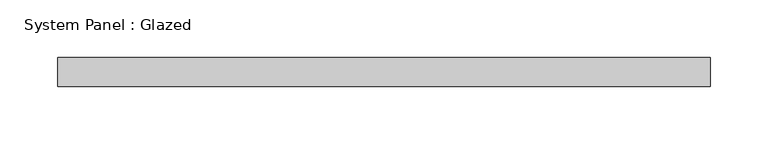
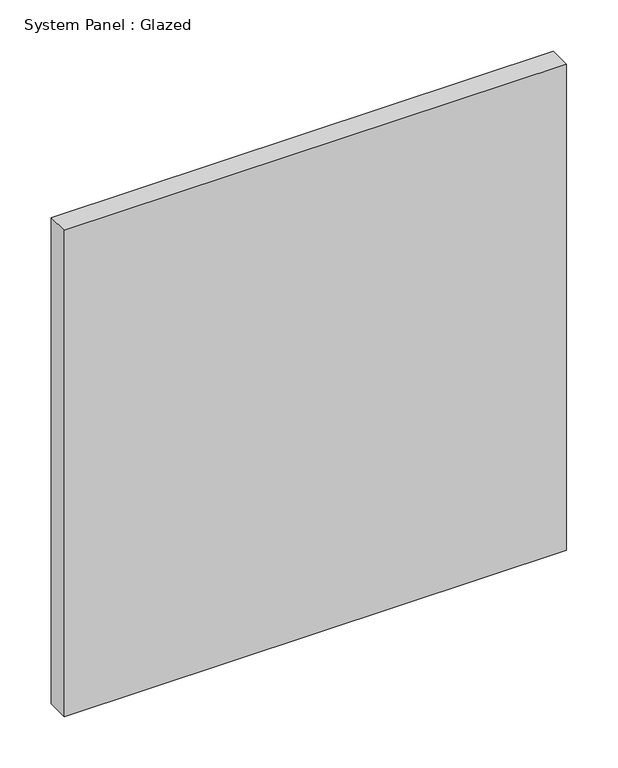
"""IFC4 building model written with IfcOpenShell, lengths in millimetres: plate geometry, System Panel : Glazed."""

from ifc_helpers import new_model, si_unit, origin, origin_with_axes, place, context, project, spatial, polyline, outline, extrude, source, transform, mapped, element, save


def system_panel_glazed_a680819a(model_context):
    return source(origin(), model_context, "Body", "SweptSolid", [
        extrude(outline(polyline([(282.75, 24.5), (-282.75, 24.5), (-282.75, 49.5), (282.75, 49.5), (282.75, 24.5)])), origin_with_axes(), (0.0, 0.0, 1.0), 578.3333333),
    ])


if __name__ == "__main__":
    model = new_model("IFC4")
    model_context = context("Model", 3, world=origin())
    ifc_project = project(units=[si_unit("LENGTHUNIT", "METRE", prefix="MILLI")], contexts=[model_context])
    site = spatial("IfcSite", under=ifc_project)
    building = spatial("IfcBuilding", under=site)
    placement = place(None, origin())
    system_panel_glazed_shape = system_panel_glazed_a680819a(model_context)
    element("IfcPlate", 1, ObjectType="System Panel : Glazed", at=placement, inside=building, context=model_context, shape_type="MappedRepresentation", body=[
        mapped(system_panel_glazed_shape, transform((0.0, 0.0, 0.0), x_axis=(1.0, 0.0, 0.0), y_axis=(0.0, 1.0, 0.0), z_axis=(0.0, 0.0, 1.0))),
    ])
    save(model, "model.ifc")
